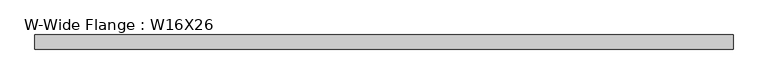
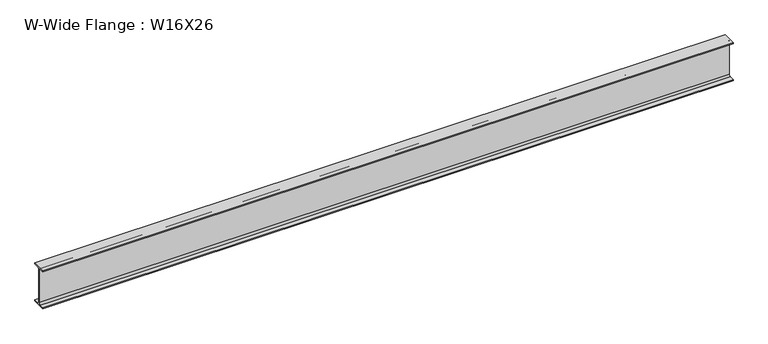
"""IFC4 building model written with IfcOpenShell, lengths in millimetres: beam geometry, W-Wide Flange : W16X26."""

import ifcopenshell
import ifcopenshell.guid

model = None  # the IFC model being written
_history = None  # IfcOwnerHistory: only IFC2X3 demands one
_inside = {}  # id of a spatial element -> (the spatial element, [elements in it])
_under = {}  # id of a project, library or spatial element -> (it, [spatial elements below it])
_declared = {}  # id of a project -> (the project, [libraries it declares])
_typed = {}  # id of a type object -> (the type object, [elements of that type])
_made_of = {}  # id of a material, layer set ... -> (it, [elements and type objects made of it])


def new_model(schema):
    """Start an empty IFC model of exactly this schema.

    Asked for "IFC4X3", IfcOpenShell would pick the latest addendum, in which some entities
    have other attributes; the version numbers below select the first issue.
    IFC2X3 requires an IfcOwnerHistory on every rooted entity: one is made here for all.
    """
    global model, _history
    if schema == "IFC4X3":
        model = ifcopenshell.file(schema_version=(4, 3, 0, 0))
    else:
        model = ifcopenshell.file(schema=schema)
    _inside.clear()
    _under.clear()
    _declared.clear()
    _typed.clear()
    _made_of.clear()
    _history = None
    if model.schema == "IFC2X3":
        org = make("IfcOrganization", Name="unknown")
        user = make(
            "IfcPersonAndOrganization",
            ThePerson=make("IfcPerson", FamilyName="unknown"),
            TheOrganization=org,
        )
        app = make(
            "IfcApplication",
            ApplicationDeveloper=org,
            Version="unknown",
            ApplicationFullName="unknown",
            ApplicationIdentifier="unknown",
        )
        _history = make(
            "IfcOwnerHistory",
            OwningUser=user,
            OwningApplication=app,
            ChangeAction="ADDED",
            CreationDate=0,
        )
    return model


def make(cls, **values):
    """One entity of the class cls with the attributes given. An attribute that is None is left unset."""
    return model.create_entity(
        cls, **{name: value for name, value in values.items() if value is not None}
    )


def rooted(cls, **values):
    """An entity with a GlobalId (a new one), such as an element, a storey or a relation."""
    return make(cls, GlobalId=ifcopenshell.guid.new(), OwnerHistory=_history, **values)


def si_unit(unit_type, name, prefix=None):
    """IfcSIUnit, for example si_unit("LENGTHUNIT", "METRE", prefix="MILLI")."""
    return make("IfcSIUnit", UnitType=unit_type, Prefix=prefix, Name=name)


def assignment(units):
    """IfcUnitAssignment: the units of a project."""
    return None if units is None else make("IfcUnitAssignment", Units=units)


def point(xyz):
    """IfcCartesianPoint."""
    return None if xyz is None else make("IfcCartesianPoint", Coordinates=xyz)


def direction(xyz):
    """IfcDirection."""
    return None if xyz is None else make("IfcDirection", DirectionRatios=xyz)


def frame(location, z_axis=None, x_axis=None):
    """IfcAxis2Placement3D, a coordinate frame: its origin and axes. An axis left out is left unset."""
    return make(
        "IfcAxis2Placement3D",
        Location=point(location),
        Axis=direction(z_axis),
        RefDirection=direction(x_axis),
    )


def frame_2d(location, x_axis=None):
    """IfcAxis2Placement2D, a coordinate frame in the plane: its origin and x axis."""
    return make(
        "IfcAxis2Placement2D", Location=point(location), RefDirection=direction(x_axis)
    )


def origin():
    """The frame at (0, 0, 0) with its axes left unset."""
    return frame((0.0, 0.0, 0.0))


def place(relative_to, where):
    """IfcLocalPlacement: puts the frame where relative to a parent placement (None: the world)."""
    return make(
        "IfcLocalPlacement", PlacementRelTo=relative_to, RelativePlacement=where
    )


def context(
    kind, dimensions, precision=None, world=None, true_north=None, identifier=None
):
    """IfcGeometricRepresentationContext, for example the 3D "Model" context."""
    return make(
        "IfcGeometricRepresentationContext",
        ContextIdentifier=identifier,
        ContextType=kind,
        CoordinateSpaceDimension=dimensions,
        Precision=precision,
        WorldCoordinateSystem=world,
        TrueNorth=true_north,
    )


def project(units=None, contexts=None):
    """IfcProject with its units and contexts."""
    return rooted(
        "IfcProject",
        Name="project",
        RepresentationContexts=contexts,
        UnitsInContext=assignment(units),
    )


def spatial(cls, under=None, at=None, **own):
    """A site, building, storey or space (cls), placed at a placement, below another one or the project."""
    s = rooted(cls, ObjectPlacement=at, **own)
    if under is not None:
        _under.setdefault(under.id(), (under, []))[1].append(s)
    return s


def polyline(points):
    """IfcPolyline through the points."""
    return make("IfcPolyline", Points=[point(p) for p in points])


def circle_curve(where, radius):
    """IfcCircle in the frame where."""
    return make("IfcCircle", Position=where, Radius=radius)


def trimmed(basis, trim1, trim2, sense, master):
    """IfcTrimmedCurve: the piece of a basis curve between two trims."""
    return make(
        "IfcTrimmedCurve",
        BasisCurve=basis,
        Trim1=trim1,
        Trim2=trim2,
        SenseAgreement=sense,
        MasterRepresentation=master,
    )


def segment(curve, same_sense, transition):
    """IfcCompositeCurveSegment."""
    return make(
        "IfcCompositeCurveSegment",
        Transition=transition,
        SameSense=same_sense,
        ParentCurve=curve,
    )


def composite_curve(segments, self_intersect=None):
    """IfcCompositeCurve: segments joined end to end."""
    return make("IfcCompositeCurve", Segments=segments, SelfIntersect=self_intersect)


def outline(outer, holes=None, kind="AREA"):
    """IfcArbitraryClosedProfileDef: a profile drawn as a closed curve; with holes, ...WithVoids."""
    if holes is None:
        return make("IfcArbitraryClosedProfileDef", ProfileType=kind, OuterCurve=outer)
    return make(
        "IfcArbitraryProfileDefWithVoids",
        ProfileType=kind,
        OuterCurve=outer,
        InnerCurves=holes,
    )


def extrude(swept, where, along, depth):
    """IfcExtrudedAreaSolid: the profile swept, set in the frame where, extruded along a direction by depth."""
    return make(
        "IfcExtrudedAreaSolid",
        SweptArea=swept,
        Position=where,
        ExtrudedDirection=direction(along),
        Depth=depth,
    )


def shape(context_of_items, identifier, shape_type, items):
    """IfcShapeRepresentation: the items that make up one representation, for example the "Body"."""
    return make(
        "IfcShapeRepresentation",
        ContextOfItems=context_of_items,
        RepresentationIdentifier=identifier,
        RepresentationType=shape_type,
        Items=items,
    )


def source(mapping_origin, context_of_items, identifier, shape_type, items):
    """IfcRepresentationMap: a shape defined once, which mapped items show again and again."""
    return make(
        "IfcRepresentationMap",
        MappingOrigin=mapping_origin,
        MappedRepresentation=shape(context_of_items, identifier, shape_type, items),
    )


def transform(
    local_origin,
    x_axis=None,
    y_axis=None,
    z_axis=None,
    scale=None,
    scale2=None,
    scale3=None,
    uniform=True,
):
    """IfcCartesianTransformationOperator3D, or its non-uniform kind. x_axis, y_axis, z_axis: its Axis1, 2, 3."""
    if uniform:
        return make(
            "IfcCartesianTransformationOperator3D",
            Axis1=direction(x_axis),
            Axis2=direction(y_axis),
            LocalOrigin=point(local_origin),
            Scale=scale,
            Axis3=direction(z_axis),
        )
    return make(
        "IfcCartesianTransformationOperator3DnonUniform",
        Axis1=direction(x_axis),
        Axis2=direction(y_axis),
        LocalOrigin=point(local_origin),
        Scale=scale,
        Axis3=direction(z_axis),
        Scale2=scale2,
        Scale3=scale3,
    )


def mapped(mapping_source, mapping_target):
    """IfcMappedItem: shows the shape of a source again, moved by a transform."""
    return make(
        "IfcMappedItem", MappingSource=mapping_source, MappingTarget=mapping_target
    )


def made_of(thing, what):
    """Note that an element or type object is made of a material, layer set ...; save() writes the relation."""
    if what is not None:
        _made_of.setdefault(what.id(), (what, []))[1].append(thing)
    return thing


def element(
    cls,
    number,
    at=None,
    inside=None,
    cuts=None,
    type_object=None,
    material=None,
    context=None,
    identifier="Body",
    shape_type=None,
    held_by="IfcProductDefinitionShape",
    body=None,
    shapes=None,
    **own,
):
    """One element of the class cls, such as IfcWall. Its Tag is "e" and its number.

    at: its placement. inside: the storey or other place that contains it. cuts: it is an
    opening in that element (IfcRelVoidsElement). A single representation is given by context,
    identifier, shape_type and body (its items); several are given by shapes. held_by: the class
    of the entity that holds the representations. save() writes the other relations.
    """
    e = rooted(cls, Tag="e%d" % number, ObjectPlacement=at, **own)
    if body is not None:
        shapes = [shape(context, identifier, shape_type, body)]
    if shapes is not None:
        e.Representation = make(held_by, Representations=shapes)
    if inside is not None:
        _inside.setdefault(inside.id(), (inside, []))[1].append(e)
    if cuts is not None:
        rooted(
            "IfcRelVoidsElement", RelatingBuildingElement=cuts, RelatedOpeningElement=e
        )
    if type_object is not None:
        _typed.setdefault(type_object.id(), (type_object, []))[1].append(e)
    return made_of(e, material)


def aggregate(whole, parts):
    """IfcRelAggregates: a whole, such as a stair, and the parts it consists of."""
    return rooted("IfcRelAggregates", RelatingObject=whole, RelatedObjects=parts)


def save(model, path):
    """Write the relations noted so far, then the file.

    IfcRelAggregates (storeys below a building ...), IfcRelContainedInSpatialStructure (elements
    in a storey), IfcRelDefinesByType, IfcRelAssociatesMaterial and IfcRelDeclares: one each for
    every whole, place, type object, material and project.
    """
    for whole, parts in _under.values():
        aggregate(whole, parts)
    for where, things in _inside.values():
        rooted(
            "IfcRelContainedInSpatialStructure",
            RelatedElements=things,
            RelatingStructure=where,
        )
    for kind, things in _typed.values():
        rooted("IfcRelDefinesByType", RelatedObjects=things, RelatingType=kind)
    for what, things in _made_of.values():
        rooted("IfcRelAssociatesMaterial", RelatedObjects=things, RelatingMaterial=what)
    for by, libraries in _declared.values():
        rooted("IfcRelDeclares", RelatingContext=by, RelatedDefinitions=libraries)
    model.write(path)


def w_wide_flange_w16x26_8118a8d6(model_context):
    return source(origin(), model_context, "Body", "SweptSolid", [
        extrude(outline(composite_curve([segment(polyline([(69.85, -190.5496094), (69.85, -199.2808594), (-69.85, -199.2808594), (-69.85, -190.5496094), (-21.43125, -190.5496094)]), True, "CONTINUOUS"), segment(trimmed(circle_curve(frame_2d((-21.43125, -172.2933594)), 18.25625), [point((-21.43125, -190.5496094))], [point((-3.175, -172.2933594))], True, "CARTESIAN"), True, "CONTINUOUS"), segment(polyline([(-3.175, -172.2933594), (-3.175, 172.2933594)]), True, "CONTINUOUS"), segment(trimmed(circle_curve(frame_2d((-21.43125, 172.2933594)), 18.25625), [point((-3.175, 172.2933594))], [point((-21.43125, 190.5496094))], True, "CARTESIAN"), True, "CONTINUOUS"), segment(polyline([(-21.43125, 190.5496094), (-69.85, 190.5496094), (-69.85, 199.2808594), (69.85, 199.2808594), (69.85, 190.5496094), (21.43125, 190.5496094)]), True, "CONTINUOUS"), segment(trimmed(circle_curve(frame_2d((21.43125, 172.2933594)), 18.25625), [point((21.43125, 190.5496094))], [point((3.175, 172.2933594))], True, "CARTESIAN"), True, "CONTINUOUS"), segment(polyline([(3.175, 172.2933594), (3.175, -172.2933594)]), True, "CONTINUOUS"), segment(trimmed(circle_curve(frame_2d((21.43125, -172.2933594)), 18.25625), [point((3.175, -172.2933594))], [point((21.43125, -190.5496094))], True, "CARTESIAN"), True, "CONTINUOUS"), segment(polyline([(21.43125, -190.5496094), (69.85, -190.5496094)]), True, "CONTINUOUS")], self_intersect=False)), frame((-3454.1519531, 0.0, 0.0), z_axis=(1.0, 0.0, 0.0), x_axis=(0.0, 1.0, 0.0)), (0.0, 0.0, 1.0), 6908.3039062),
    ])


if __name__ == "__main__":
    model = new_model("IFC4")
    model_context = context("Model", 3, world=origin())
    ifc_project = project(units=[si_unit("LENGTHUNIT", "METRE", prefix="MILLI")], contexts=[model_context])
    site = spatial("IfcSite", under=ifc_project)
    building = spatial("IfcBuilding", under=site)
    placement = place(None, origin())
    w_wide_flange_w16x26_shape = w_wide_flange_w16x26_8118a8d6(model_context)
    element("IfcBeam", 1, ObjectType="W-Wide Flange : W16X26", at=placement, inside=building, context=model_context, shape_type="MappedRepresentation", body=[
        mapped(w_wide_flange_w16x26_shape, transform((0.0, 0.0, 0.0), x_axis=(1.0, 0.0, 0.0), y_axis=(0.0, 1.0, 0.0), z_axis=(0.0, 0.0, 1.0))),
    ])
    save(model, "model.ifc")
